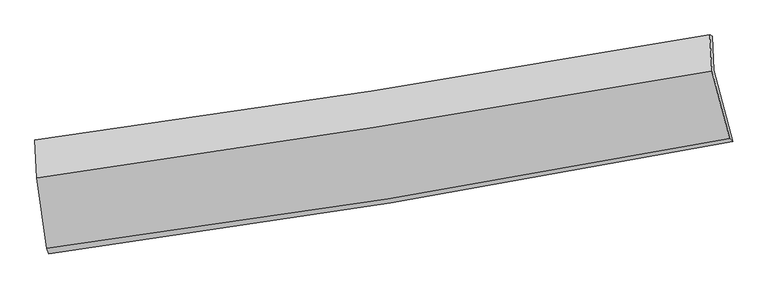
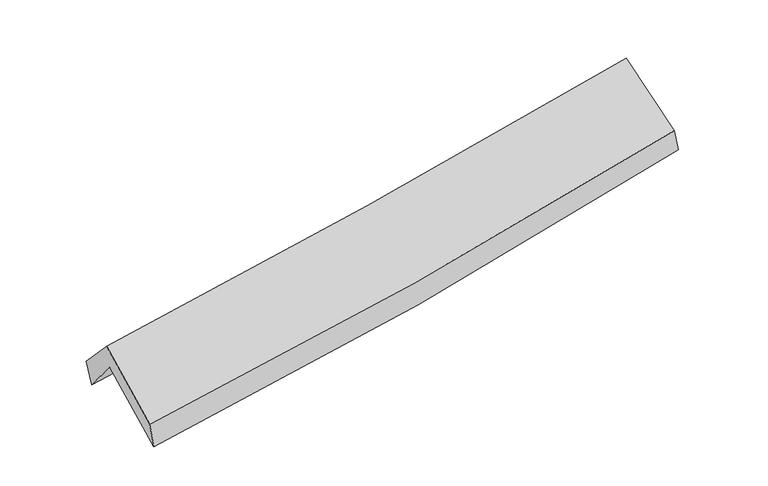
"""IFC4 building model written with IfcOpenShell, lengths in millimetres: proxy geometry."""

from ifc_helpers import new_model, si_unit, frame, origin, place, context, project, spatial, source, transform, mapped, element, save
from ifc_brep_helpers import plane_surface, spline_curve, spline_surface, advanced_brep


def generic_models_bb21de1a(model_context):
    return source(origin(), model_context, "Body", "AdvancedBrep", [
        advanced_brep(
        [(-2376.7033174, -2479.74013, 1481.5168841), (-2449.7007156, -1963.5909857, 1904.6826796), (2389.989641, -1163.0170021, 2371.5005895), (2525.4542679, -1673.0747789, 1932.0429047), (-2461.9058738, -1716.2255964, 1605.7164706), (2379.3918414, -917.0043388, 2059.4205543), (-2475.6625471, -1662.0825565, 1784.4614383), (2361.9314594, -908.4627533, 2212.2156854), (-2460.8397637, -1933.4762043, 2080.923285), (2377.9445154, -1169.5848652, 2497.852225), (-2389.1684947, -2440.2485693, 1665.4450587), (2504.5965269, -1653.5110614, 2098.8342189)],
        [
            (0, 1),
            (1, 2, spline_curve(3, [(-2449.7007156, -1963.5909857, 1904.6826796), (-1640.469872254, -1855.066349155, 1955.014360195), (-834.381987025, -1734.451183168, 2018.841120442), (778.90631813, -1467.817022858, 2174.19725331), (1586.048551514, -1321.574194347, 2265.97646332), (2389.989641, -1163.0170021, 2371.5005895)], [4, 2, 4], [0.0, 8.098036015076524, 16.270688499297602])),
            (2, 3),
            (3, 0, spline_curve(3, [(2525.4542679, -1673.0747789, 1932.0429047), (1711.903093386, -1832.110153589, 1835.855760199), (894.724395774, -1979.103257488, 1750.093770004), (-739.39406892, -2247.772819101, 1600.107924312), (-1556.267899965, -2369.668165812, 1535.694574387), (-2376.7033174, -2479.74013, 1481.5168841)], [4, 2, 4], [0.0, 8.172652484221079, 16.270688499297602])),
            (1, 4),
            (4, 5, spline_curve(3, [(-2461.9058738, -1716.2255964, 1605.7164706), (-1652.108443132, -1608.281425376, 1648.89276036), (-845.603244195, -1488.069518762, 1708.04259891), (768.223610459, -1221.889547751, 1858.981572396), (1575.484316449, -1075.694368415, 1951.066428113), (2379.3918414, -917.0043388, 2059.4205543)], [4, 2, 4], [0.0, 8.049100055766742, 16.172365677707106])),
            (5, 2),
            (4, 6),
            (6, 7, spline_curve(3, [(-2475.6625471, -1662.0825565, 1784.4614383), (-1670.809447663, -1552.561468436, 1848.563939371), (-867.093569559, -1435.322833908, 1916.082169308), (745.458819394, -1184.259109468, 2058.603682194), (1554.274276745, -1050.291142476, 2133.670201307), (2361.9314594, -908.4627533, 2212.2156854)], [4, 2, 4], [0.0, 8.03709363145701, 16.148242200166337])),
            (7, 5),
            (6, 8),
            (8, 9, spline_curve(3, [(-2460.8397637, -1933.4762043, 2080.923285), (-1655.792979091, -1821.15241004, 2142.022650763), (-851.881532428, -1701.657867881, 2207.138573271), (761.067579412, -1447.160174907, 2346.040527135), (1570.084225761, -1312.02427088, 2419.900918385), (2377.9445154, -1169.5848652, 2497.852225)], [4, 2, 4], [0.0, 8.02693506917359, 16.12783147314481])),
            (9, 7),
            (8, 10),
            (10, 11, spline_curve(3, [(-2389.1684947, -2440.2485693, 1665.4450587), (-1570.99156092, -2334.478553164, 1720.690777789), (-755.945130734, -2216.389502021, 1784.225587354), (875.367831912, -1954.371730707, 1928.535182995), (1691.57640921, -1810.214945961, 2009.463426973), (2504.5965269, -1653.5110614, 2098.8342189)], [4, 2, 4], [0.0, 8.077200553237416, 16.228825594675794])),
            (11, 9),
            (10, 0),
            (3, 11),
        ],
        [
            spline_surface(3, 3, [[(-2376.7033174, -2479.74013, 1481.5168841), (-1556.26789988, -2369.66816587, 1535.694574509), (-739.394068945, -2247.772819227, 1600.10792441), (894.724395799, -1979.103257361, 1750.093769904), (1711.903093322, -1832.110153648, 1835.855760233), (2525.4542679, -1673.0747789, 1932.0429047)], [(-2401.035783482, -2307.690415226, 1622.572149268), (-1584.335224032, -2198.134226967, 1675.467836448), (-771.056708278, -2076.665607204, 1739.685656375), (856.118369899, -1808.67451253, 1891.46159771), (1669.951579422, -1661.931500548, 1979.229327937), (2480.299392272, -1503.055519959, 2078.528799641)], [(-2425.368249518, -2135.640700474, 1763.627414432), (-1612.40254814, -2026.600288086, 1815.241098385), (-802.719347637, -1905.558395181, 1879.263388403), (817.512343975, -1638.245767698, 2032.829425579), (1628.000065505, -1491.75284747, 2122.602895618), (2435.144516628, -1333.036261041, 2225.014694559)], [(-2449.7007156, -1963.5909857, 1904.6826796), (-1640.469872293, -1855.066349183, 1955.014360324), (-834.38198697, -1734.451183158, 2018.841120368), (778.906318075, -1467.817022867, 2174.197253385), (1586.048551605, -1321.57419437, 2265.976463323), (2389.989641, -1163.0170021, 2371.5005895)]], [4, 4], [4, 2, 4], [0.0, 2.2037625482901277], [0.0, 8.098036015076524, 16.270688499297602]),
            spline_surface(3, 3, [[(-2449.7007156, -1963.5909857, 1904.6826796), (-1640.469872293, -1855.066349183, 1955.014360324), (-834.38198697, -1734.451183158, 2018.841120368), (778.906318075, -1467.817022867, 2174.197253385), (1586.048551605, -1321.57419437, 2265.976463323), (2389.989641, -1163.0170021, 2371.5005895)], [(-2453.769101667, -1881.135855926, 1805.027276577), (-1644.349395939, -1772.80470791, 1852.973826968), (-838.122406074, -1652.323961675, 1915.241613269), (775.345415554, -1385.841197832, 2069.125359698), (1582.527139945, -1239.614252444, 2161.006451584), (2386.457041148, -1081.01278102, 2267.473911092)], [(-2457.837487733, -1798.680726174, 1705.371873623), (-1648.228919584, -1690.543066661, 1750.933293681), (-841.86282516, -1570.196740213, 1811.642106125), (771.78451305, -1303.865372819, 1964.053465966), (1579.005728242, -1157.654310458, 2056.036439869), (2382.924441252, -999.00855988, 2163.447232708)], [(-2461.9058738, -1716.2255964, 1605.7164706), (-1652.108443231, -1608.281425388, 1648.892760324), (-845.603244264, -1488.069518729, 1708.042599026), (768.223610528, -1221.889547783, 1858.981572279), (1575.484316582, -1075.694368532, 1951.066428131), (2379.3918414, -917.0043388, 2059.4205543)]], [4, 4], [4, 2, 4], [0.0, 1.3069812527395146], [0.0, 8.049100055766742, 16.172365677707106]),
            spline_surface(3, 3, [[(-2461.9058738, -1716.2255964, 1605.7164706), (-1652.108443231, -1608.281425388, 1648.892760324), (-845.603244264, -1488.069518729, 1708.042599026), (768.223610528, -1221.889547783, 1858.981572279), (1575.484316582, -1075.694368532, 1951.066428131), (2379.3918414, -917.0043388, 2059.4205543)], [(-2466.49143154, -1698.177916429, 1665.298126522), (-1658.342111385, -1589.708106356, 1715.449820018), (-852.766686051, -1470.487290501, 1777.389122415), (760.635346833, -1209.346068316, 1925.522275577), (1568.414303315, -1067.226626527, 2011.934352543), (2373.571714047, -914.157143628, 2110.352264657)], [(-2471.07698936, -1680.130236471, 1724.879782378), (-1664.575779621, -1571.134787336, 1782.006879644), (-859.930127829, -1452.905062247, 1846.735645873), (753.047083146, -1196.802588822, 1992.062978943), (1561.344290107, -1058.758884538, 2072.802276986), (2367.751586753, -911.309948472, 2161.283975043)], [(-2475.6625471, -1662.0825565, 1784.4614383), (-1670.809447775, -1552.561468304, 1848.563939338), (-867.093569615, -1435.322834019, 1916.082169262), (745.458819451, -1184.259109355, 2058.60368224), (1554.274276839, -1050.291142532, 2133.670201399), (2361.9314594, -908.4627533, 2212.2156854)]], [4, 4], [4, 2, 4], [0.0, 0.6886368947275388], [0.0, 8.03709363145701, 16.148242200166337]),
            spline_surface(3, 3, [[(-2475.6625471, -1662.0825565, 1784.4614383), (-1670.809447775, -1552.561468304, 1848.563939338), (-867.093569615, -1435.322834019, 1916.082169262), (745.458819451, -1184.259109355, 2058.60368224), (1554.274276839, -1050.291142532, 2133.670201399), (2361.9314594, -908.4627533, 2212.2156854)], [(-2470.721619321, -1752.54710578, 1883.282053864), (-1665.803958217, -1642.091782265, 1946.383509837), (-862.022890554, -1524.101178629, 2013.100970577), (750.661739417, -1271.892797867, 2154.415963916), (1559.544259829, -1137.535518624, 2229.080440365), (2367.269144758, -995.503457262, 2307.42786528)], [(-2465.780691479, -1843.01165502, 1982.102669436), (-1660.798468596, -1731.622096185, 2044.203080345), (-856.952211461, -1612.879523262, 2110.119771858), (755.864659416, -1359.526486404, 2250.228245557), (1564.814242743, -1224.779894729, 2324.490679289), (2372.606830042, -1082.544161238, 2402.64004512)], [(-2460.8397637, -1933.4762043, 2080.923285), (-1655.792979038, -1821.152410146, 2142.022650844), (-851.881532399, -1701.657867871, 2207.138573174), (761.067579383, -1447.160174916, 2346.040527233), (1570.084225733, -1312.02427082, 2419.900918254), (2377.9445154, -1169.5848652, 2497.852225)]], [4, 4], [4, 2, 4], [0.0, 1.2871013925820858], [0.0, 8.02693506917359, 16.12783147314481]),
            spline_surface(3, 3, [[(-2460.8397637, -1933.4762043, 2080.923285), (-1655.792979038, -1821.152410146, 2142.022650844), (-851.881532399, -1701.657867871, 2207.138573174), (761.067579383, -1447.160174916, 2346.040527233), (1570.084225733, -1312.02427082, 2419.900918254), (2377.9445154, -1169.5848652, 2497.852225)], [(-2436.94934071, -2102.400325982, 1942.430542897), (-1627.525839645, -1992.26112451, 2001.578693118), (-819.90273185, -1873.235079264, 2066.167577859), (799.167663613, -1616.230693504, 2206.872079193), (1610.581620197, -1478.087829173, 2283.088421152), (2420.161852555, -1330.893597262, 2364.846222948)], [(-2413.05891769, -2271.324447618, 1803.937800803), (-1599.258700221, -2163.369838828, 1861.1347354), (-787.923931373, -2044.812290656, 1925.196582549), (837.267747772, -1785.301212091, 2067.703631157), (1651.079014694, -1644.15138754, 2146.275924105), (2462.379189745, -1492.202329338, 2231.840220952)], [(-2389.1684947, -2440.2485693, 1665.4450587), (-1570.991560828, -2334.478553193, 1720.690777673), (-755.945130824, -2216.389502049, 1784.225587234), (875.367832003, -1954.371730679, 1928.535183117), (1691.576409157, -1810.214945893, 2009.463427004), (2504.5965269, -1653.5110614, 2098.8342189)]], [4, 4], [4, 2, 4], [0.0, 2.197620625571578], [0.0, 8.077200553237416, 16.228825594675794]),
            spline_surface(3, 3, [[(-2389.1684947, -2440.2485693, 1665.4450587), (-1570.991560828, -2334.478553193, 1720.690777673), (-755.945130824, -2216.389502049, 1784.225587234), (875.367832003, -1954.371730679, 1928.535183117), (1691.576409157, -1810.214945893, 2009.463427004), (2504.5965269, -1653.5110614, 2098.8342189)], [(-2385.01343558, -2453.412422857, 1604.135667172), (-1566.083673825, -2346.208424075, 1659.025376624), (-750.42811021, -2226.850607781, 1722.853032978), (881.820019922, -1962.615572912, 1869.054712064), (1698.351970532, -1817.513348481, 1951.594204761), (2511.549107219, -1660.03230057, 2043.237114181)], [(-2380.85837652, -2466.576276443, 1542.826275628), (-1561.175786882, -2357.938294987, 1597.359975559), (-744.911089558, -2237.311713495, 1661.480478666), (888.27220788, -1970.859415127, 1809.574240957), (1705.127531948, -1824.81175106, 1893.724982475), (2518.501687581, -1666.55353973, 1987.640009419)], [(-2376.7033174, -2479.74013, 1481.5168841), (-1556.26789988, -2369.66816587, 1535.694574509), (-739.394068945, -2247.772819227, 1600.10792441), (894.724395799, -1979.103257361, 1750.093769904), (1711.903093322, -1832.110153648, 1835.855760233), (2525.4542679, -1673.0747789, 1932.0429047)]], [4, 4], [4, 2, 4], [0.0, 0.6046108089600063], [0.0, 8.136755118156453, 16.34848346884489]),
            plane_surface(frame((2423.218042, -1247.4424666, 2195.3110296), z_axis=(0.979760238951866, 0.17203413023882067, 0.10234320789361163), x_axis=(0.19793226972885888, -0.7562817935816402, -0.6235869348350074))),
            plane_surface(frame((-2435.6634521, -2032.5606737, 1753.7909694), z_axis=(-0.9936018338622776, -0.10354113746187038, -0.045106857556485566), x_axis=(-0.06611683090178525, 0.20946808566506112, 0.9755776164710419))),
        ],
        [
            (0, [[1, 2, 3, 4]]),
            (1, [[5, 6, 7, -2]]),
            (2, [[8, 9, 10, -6]]),
            (3, [[11, 12, 13, -9]]),
            (4, [[14, 15, 16, -12]]),
            (5, [[17, -4, 18, -15]]),
            (6, [[-16, -18, -3, -7, -10, -13]]),
            (7, [[-17, -14, -11, -8, -5, -1]]),
        ],
    ),
    ])


if __name__ == "__main__":
    model = new_model("IFC4")
    model_context = context("Model", 3, world=origin())
    ifc_project = project(units=[si_unit("LENGTHUNIT", "METRE", prefix="MILLI")], contexts=[model_context])
    site = spatial("IfcSite", under=ifc_project)
    building = spatial("IfcBuilding", under=site)
    placement = place(None, origin())
    generic_models_shape = generic_models_bb21de1a(model_context)
    element("IfcBuildingElementProxy", 1, Name="Generic Models", at=placement, inside=building, context=model_context, shape_type="MappedRepresentation", body=[
        mapped(generic_models_shape, transform((0.0, 0.0, 0.0), x_axis=(1.0, 0.0, 0.0), y_axis=(0.0, 1.0, 0.0), z_axis=(0.0, 0.0, 1.0))),
    ])
    save(model, "model.ifc")
